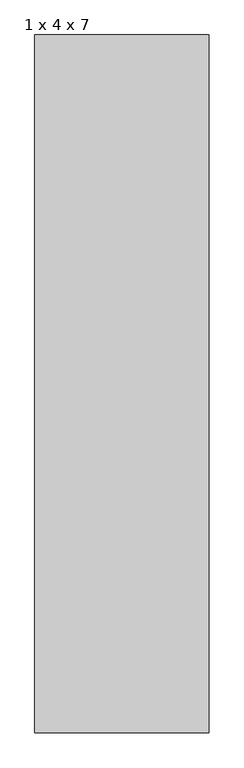
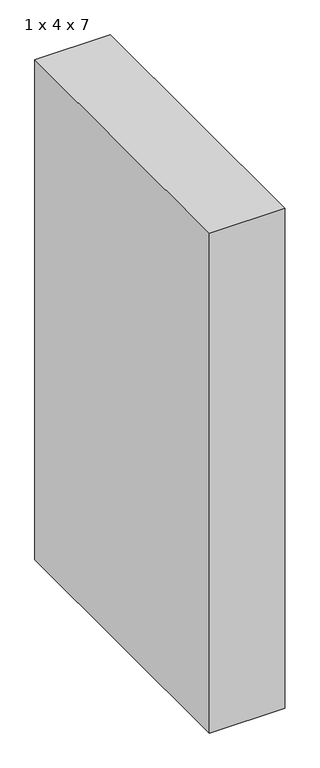
"""IFC4 building model written with IfcOpenShell, lengths in millimetres: proxy geometry, 1 x 4 x 7."""

from ifc_helpers import new_model, si_unit, origin, origin_with_axes, place, context, project, spatial, polyline, outline, extrude, source, transform, mapped, element, save


def proxy_1_x_4_x_7_bb9cda97(model_context):
    return source(origin(), model_context, "Body", "SweptSolid", [
        extrude(outline(polyline([(1000.0, 4000.0), (1000.0, 0.0), (0.0, 0.0), (0.0, 4000.0), (1000.0, 4000.0)])), origin_with_axes(), (0.0, 0.0, 1.0), 7000.0),
    ])


if __name__ == "__main__":
    model = new_model("IFC4")
    model_context = context("Model", 3, world=origin())
    ifc_project = project(units=[si_unit("LENGTHUNIT", "METRE", prefix="MILLI")], contexts=[model_context])
    site = spatial("IfcSite", under=ifc_project)
    building = spatial("IfcBuilding", under=site)
    placement = place(None, origin())
    proxy_1_x_4_x_7_shape = proxy_1_x_4_x_7_bb9cda97(model_context)
    element("IfcBuildingElementProxy", 1, Name="1 x 4 x 7", ObjectType="1 x 4 x 7", at=placement, inside=building, context=model_context, shape_type="MappedRepresentation", body=[
        mapped(proxy_1_x_4_x_7_shape, transform((0.0, 0.0, 0.0), x_axis=(1.0, 0.0, 0.0), y_axis=(0.0, 1.0, 0.0), z_axis=(0.0, 0.0, 1.0))),
    ])
    save(model, "model.ifc")
